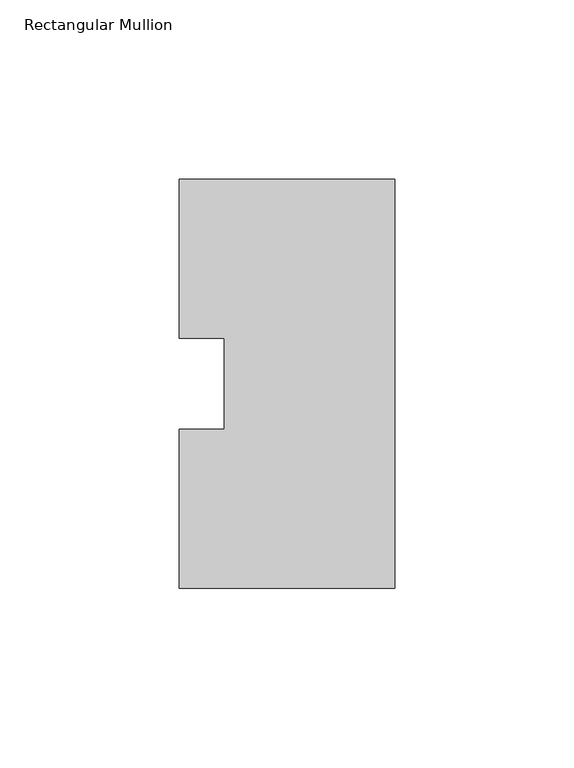
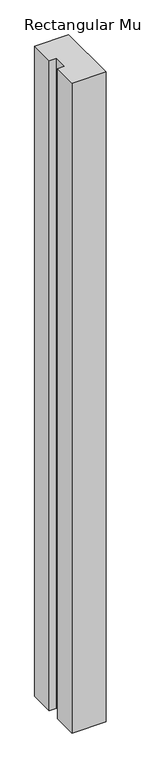
"""IFC4 building model written with IfcOpenShell, lengths in millimetres: member geometry, Rectangular Mullion."""

from ifc_helpers import new_model, si_unit, frame, origin, place, context, project, spatial, polyline, outline, extrude, source, transform, mapped, element, save


def rectangular_mullion_800bf8fe(model_context):
    return source(origin(), model_context, "Body", "SweptSolid", [
        extrude(outline(polyline([(-60.325, 57.15), (0.0, 57.15), (0.0, -57.15), (-60.325, -57.15), (-60.325, -12.7), (-47.6232296, -12.7), (-47.6232296, 12.7), (-60.325, 12.7), (-60.325, 57.15)])), frame((0.0, 0.0, -1219.2), z_axis=(0.0, 0.0, 1.0), x_axis=(1.0, 0.0, 0.0)), (0.0, 0.0, 1.0), 1219.2),
    ])


if __name__ == "__main__":
    model = new_model("IFC4")
    model_context = context("Model", 3, world=origin())
    ifc_project = project(units=[si_unit("LENGTHUNIT", "METRE", prefix="MILLI")], contexts=[model_context])
    site = spatial("IfcSite", under=ifc_project)
    building = spatial("IfcBuilding", under=site)
    placement = place(None, origin())
    rectangular_mullion_shape = rectangular_mullion_800bf8fe(model_context)
    element("IfcMember", 1, ObjectType="Rectangular Mullion", at=placement, inside=building, context=model_context, shape_type="MappedRepresentation", body=[
        mapped(rectangular_mullion_shape, transform((0.0, 0.0, 0.0), x_axis=(1.0, 0.0, 0.0), y_axis=(0.0, 1.0, 0.0), z_axis=(0.0, 0.0, 1.0))),
    ])
    save(model, "model.ifc")
